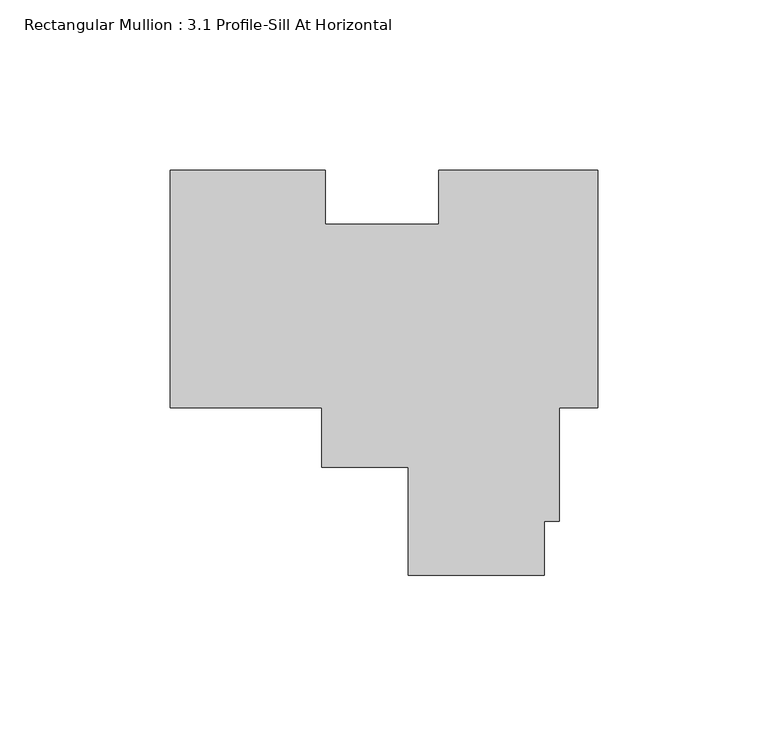
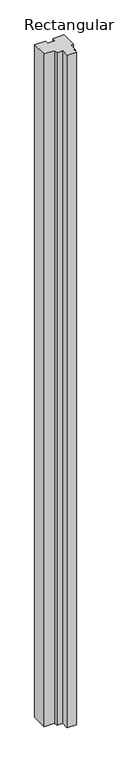
"""IFC4 building model written with IfcOpenShell, lengths in millimetres: member geometry, Rectangular Mullion : 3.1 Profile-Sill At Horizontal."""

from ifc_helpers import new_model, si_unit, frame, origin, place, context, project, spatial, polyline, outline, extrude, source, transform, mapped, element, save


def rectangular_mullion_3_1_profile_sill_at_horizontal_e5894b29(model_context):
    return source(origin(), model_context, "Body", "SweptSolid", [
        extrude(outline(polyline([(-80.20749, 34.925), (-80.20749, 19.05), (-46.8444686, 19.05), (-46.8444686, 34.925), (0.0, 34.925), (0.0, -34.925), (-11.2966018, -34.925), (-11.2966018, -68.2742795), (-15.7416018, -68.2742795), (-15.7416018, -84.14837), (-55.7466018, -84.14837), (-55.7466018, -52.4002), (-81.1385794, -52.4002), (-81.1385794, -34.925), (-125.7808, -34.925), (-125.7808, 34.925), (-80.20749, 34.925)])), frame((0.0, 0.0, -3048.0), z_axis=(0.0, 0.0, 1.0), x_axis=(1.0, 0.0, 0.0)), (0.0, 0.0, 1.0), 3048.0),
    ])


if __name__ == "__main__":
    model = new_model("IFC4")
    model_context = context("Model", 3, world=origin())
    ifc_project = project(units=[si_unit("LENGTHUNIT", "METRE", prefix="MILLI")], contexts=[model_context])
    site = spatial("IfcSite", under=ifc_project)
    building = spatial("IfcBuilding", under=site)
    placement = place(None, origin())
    rectangular_mullion_3_1_profile_sill_at_horizontal_shape = rectangular_mullion_3_1_profile_sill_at_horizontal_e5894b29(model_context)
    element("IfcMember", 1, ObjectType="Rectangular Mullion : 3.1 Profile-Sill At Horizontal", at=placement, inside=building, context=model_context, shape_type="MappedRepresentation", body=[
        mapped(rectangular_mullion_3_1_profile_sill_at_horizontal_shape, transform((0.0, 0.0, 0.0), x_axis=(1.0, 0.0, 0.0), y_axis=(0.0, 1.0, 0.0), z_axis=(0.0, 0.0, 1.0))),
    ])
    save(model, "model.ifc")
